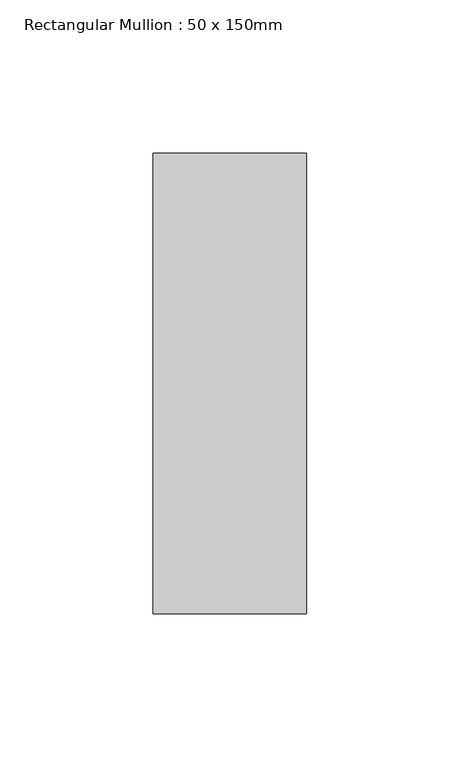
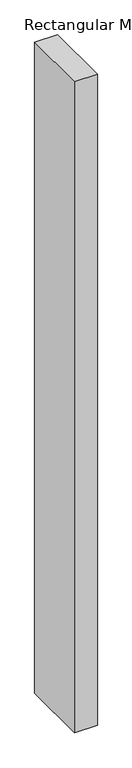
"""IFC4 building model written with IfcOpenShell, lengths in millimetres: member geometry, Rectangular Mullion : 50 x 150mm."""

from ifc_helpers import new_model, si_unit, frame, origin, place, context, project, spatial, polyline, outline, extrude, source, transform, mapped, element, save


def rectangular_mullion_50_x_150mm_83c1fd76(model_context):
    return source(origin(), model_context, "Body", "SweptSolid", [
        extrude(outline(polyline([(25.0, 75.0), (25.0, -75.0), (-25.0, -75.0), (-25.0, 75.0), (25.0, 75.0)])), frame((0.0, 0.0, -1501.6915209), z_axis=(0.0, 0.0, 1.0), x_axis=(1.0, 0.0, 0.0)), (0.0, 0.0, 1.0), 1501.6915209),
    ])


if __name__ == "__main__":
    model = new_model("IFC4")
    model_context = context("Model", 3, world=origin())
    ifc_project = project(units=[si_unit("LENGTHUNIT", "METRE", prefix="MILLI")], contexts=[model_context])
    site = spatial("IfcSite", under=ifc_project)
    building = spatial("IfcBuilding", under=site)
    placement = place(None, origin())
    rectangular_mullion_50_x_150mm_shape = rectangular_mullion_50_x_150mm_83c1fd76(model_context)
    element("IfcMember", 1, ObjectType="Rectangular Mullion : 50 x 150mm", at=placement, inside=building, context=model_context, shape_type="MappedRepresentation", body=[
        mapped(rectangular_mullion_50_x_150mm_shape, transform((0.0, 0.0, 0.0), x_axis=(1.0, 0.0, 0.0), y_axis=(0.0, 1.0, 0.0), z_axis=(0.0, 0.0, 1.0))),
    ])
    save(model, "model.ifc")
